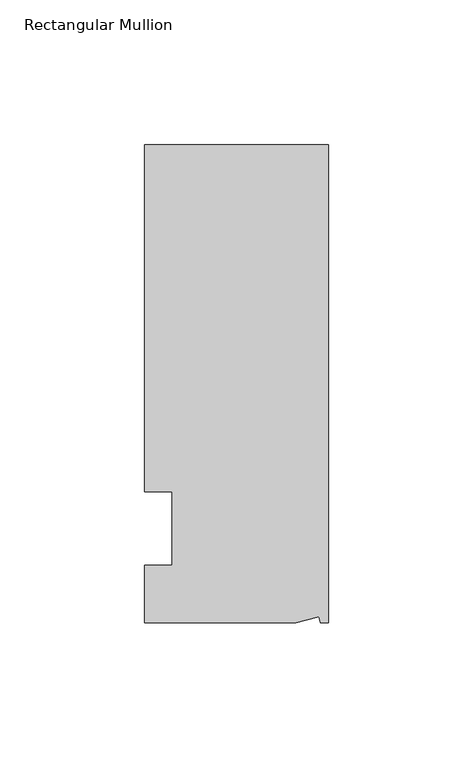
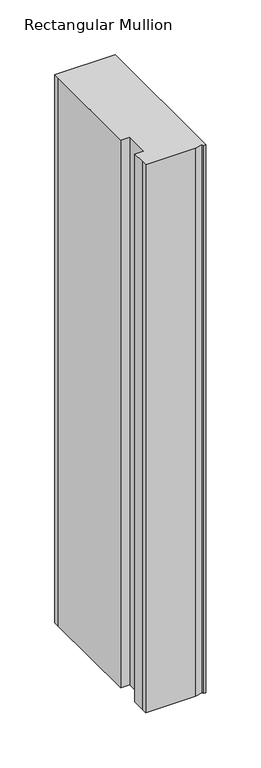
"""IFC4 building model written with IfcOpenShell, lengths in millimetres: member geometry, Rectangular Mullion."""

from ifc_helpers import new_model, si_unit, frame, origin, place, context, project, spatial, polyline, outline, extrude, source, transform, mapped, element, save


def rectangular_mullion_5eebda7f(model_context):
    return source(origin(), model_context, "Body", "SweptSolid", [
        extrude(outline(polyline([(0.0, 132.5561012), (0.0, -32.5438988), (-2.7616541, -32.5438988), (-3.3341886, -30.4622958), (-11.121847, -32.5438988), (-63.5, -32.5438988), (-63.5, -26.1938988), (-63.5, -12.5945801), (-53.975, -12.5945801), (-53.975, 12.8054199), (-63.5, 12.8054199), (-63.5, 126.2061012), (-63.5, 132.5561012), (0.0, 132.5561012)])), frame((0.0, 0.0, -609.6), z_axis=(0.0, 0.0, 1.0), x_axis=(1.0, 0.0, 0.0)), (0.0, 0.0, 1.0), 609.6),
    ])


if __name__ == "__main__":
    model = new_model("IFC4")
    model_context = context("Model", 3, world=origin())
    ifc_project = project(units=[si_unit("LENGTHUNIT", "METRE", prefix="MILLI")], contexts=[model_context])
    site = spatial("IfcSite", under=ifc_project)
    building = spatial("IfcBuilding", under=site)
    placement = place(None, origin())
    rectangular_mullion_shape = rectangular_mullion_5eebda7f(model_context)
    element("IfcMember", 1, ObjectType="Rectangular Mullion", at=placement, inside=building, context=model_context, shape_type="MappedRepresentation", body=[
        mapped(rectangular_mullion_shape, transform((0.0, 0.0, 0.0), x_axis=(1.0, 0.0, 0.0), y_axis=(0.0, 1.0, 0.0), z_axis=(0.0, 0.0, 1.0))),
    ])
    save(model, "model.ifc")
